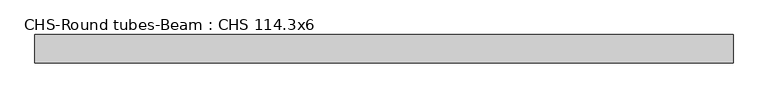
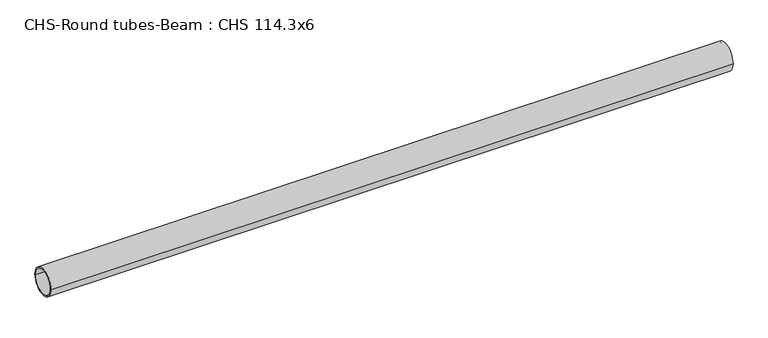
"""IFC4 building model written with IfcOpenShell, lengths in millimetres: beam geometry, CHS-Round tubes-Beam : CHS 114.3x6."""

from ifc_helpers import new_model, si_unit, point, frame, origin, origin_2d, place, context, project, spatial, circle_curve, trimmed, segment, composite_curve, outline, extrude, source, transform, mapped, element, save


def chs_round_tubes_beam_chs_114_3x6_a5d21fd5(model_context):
    return source(origin(), model_context, "Body", "SweptSolid", [
        extrude(outline(composite_curve([segment(trimmed(circle_curve(origin_2d(), 57.15), [point((57.15, 0.0))], [point((-57.15, 0.0))], False, "CARTESIAN"), True, "CONTINUOUS"), segment(trimmed(circle_curve(origin_2d(), 57.15), [point((-57.15, 0.0))], [point((57.15, 0.0))], False, "CARTESIAN"), True, "CONTINUOUS")], self_intersect=False), holes=[composite_curve([segment(trimmed(circle_curve(origin_2d(), 51.15), [point((51.15, 0.0))], [point((-51.15, 0.0))], True, "CARTESIAN"), True, "CONTINUOUS"), segment(trimmed(circle_curve(origin_2d(), 51.15), [point((-51.15, 0.0))], [point((51.15, 0.0))], True, "CARTESIAN"), True, "CONTINUOUS")], self_intersect=False)]), frame((-1415.8420419, 0.0, 0.0), z_axis=(1.0, 0.0, 0.0), x_axis=(0.0, 1.0, 0.0)), (0.0, 0.0, 1.0), 2831.2592845),
    ])


if __name__ == "__main__":
    model = new_model("IFC4")
    model_context = context("Model", 3, world=origin())
    ifc_project = project(units=[si_unit("LENGTHUNIT", "METRE", prefix="MILLI")], contexts=[model_context])
    site = spatial("IfcSite", under=ifc_project)
    building = spatial("IfcBuilding", under=site)
    placement = place(None, origin())
    chs_round_tubes_beam_chs_114_3x6_shape = chs_round_tubes_beam_chs_114_3x6_a5d21fd5(model_context)
    element("IfcBeam", 1, ObjectType="CHS-Round tubes-Beam : CHS 114.3x6", at=placement, inside=building, context=model_context, shape_type="MappedRepresentation", body=[
        mapped(chs_round_tubes_beam_chs_114_3x6_shape, transform((0.0, 0.0, 0.0), x_axis=(1.0, 0.0, 0.0), y_axis=(0.0, 1.0, 0.0), z_axis=(0.0, 0.0, 1.0))),
    ])
    save(model, "model.ifc")
